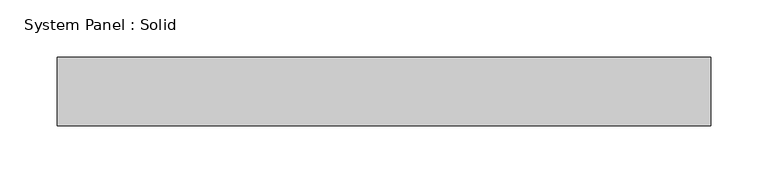
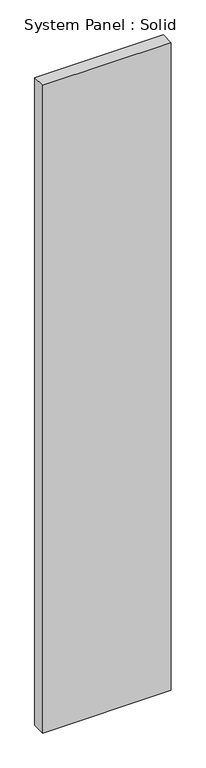
"""IFC4 building model written with IfcOpenShell, lengths in millimetres: plate geometry, System Panel : Solid."""

from ifc_helpers import new_model, si_unit, origin, origin_with_axes, place, context, project, spatial, polyline, outline, extrude, source, transform, mapped, element, save


def system_panel_solid_e6765160(model_context):
    return source(origin(), model_context, "Body", "SweptSolid", [
        extrude(outline(polyline([(285.75, -49.5), (-285.75, -49.5), (-285.75, 10.5), (285.75, 10.5), (285.75, -49.5)])), origin_with_axes(), (0.0, 0.0, 1.0), 3041.65),
    ])


if __name__ == "__main__":
    model = new_model("IFC4")
    model_context = context("Model", 3, world=origin())
    ifc_project = project(units=[si_unit("LENGTHUNIT", "METRE", prefix="MILLI")], contexts=[model_context])
    site = spatial("IfcSite", under=ifc_project)
    building = spatial("IfcBuilding", under=site)
    placement = place(None, origin())
    system_panel_solid_shape = system_panel_solid_e6765160(model_context)
    element("IfcPlate", 1, ObjectType="System Panel : Solid", at=placement, inside=building, context=model_context, shape_type="MappedRepresentation", body=[
        mapped(system_panel_solid_shape, transform((0.0, 0.0, 0.0), x_axis=(1.0, 0.0, 0.0), y_axis=(0.0, 1.0, 0.0), z_axis=(0.0, 0.0, 1.0))),
    ])
    save(model, "model.ifc")
